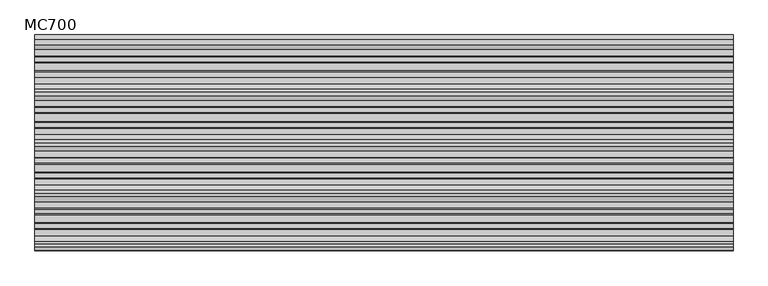
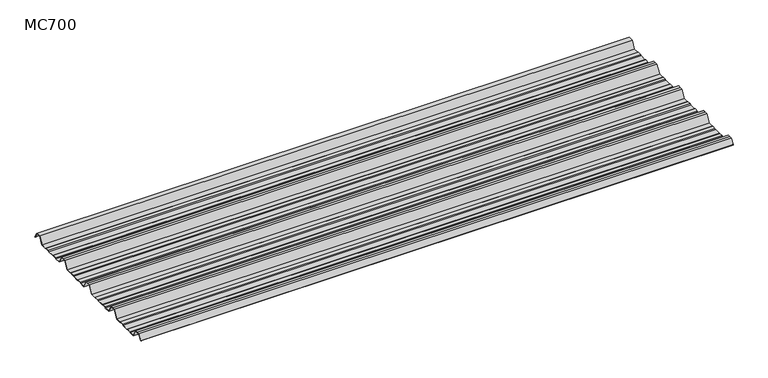
"""IFC4 building model written with IfcOpenShell, lengths in millimetres: beam geometry, MC700."""

from ifc_helpers import new_model, si_unit, point, frame, frame_2d, origin, place, context, project, spatial, polyline, circle_curve, trimmed, segment, composite_curve, outline, extrude, source, transform, mapped, element, save


def mc700_bc172f6d(model_context):
    return source(origin(), model_context, "Body", "SweptSolid", [
        extrude(outline(composite_curve([segment(polyline([(-279.7790109, -25.7896475), (-284.1593286, -23.7494212), (-300.5873198, -23.7494212), (-303.802364, -25.7896475), (-326.5000016, -25.7896475), (-344.5745116, 5.2103525), (-355.0, 5.2103525), (-365.4254884, 5.2103525), (-383.4999984, -25.7896475), (-406.197636, -25.7896475), (-409.4126802, -23.7494212), (-425.8406714, -23.7494212), (-430.2209891, -25.7896475), (-457.2790109, -25.7896475), (-461.6593286, -23.7494212), (-478.0873198, -23.7494212), (-481.302364, -25.7896475), (-504.0000016, -25.7896475), (-522.0745116, 5.2103525), (-532.5, 5.2103525), (-542.9254884, 5.2103525), (-560.9999984, -25.7896475), (-583.697636, -25.7896475), (-586.9126802, -23.7494212), (-603.3406714, -23.7494212), (-607.7209891, -25.7896475), (-634.7790109, -25.7896475), (-639.1593286, -23.7494212), (-655.5873198, -23.7494212), (-658.802364, -25.7896475), (-681.5000016, -25.7896475), (-699.5745116, 5.2103525), (-710.0, 5.2103525), (-720.4254884, 5.2103525), (-732.728303, -15.8904825)]), True, "CONTINUOUS"), segment(trimmed(circle_curve(frame_2d((-733.160246, -15.6386387)), 0.5), [point((-732.728303, -15.8904825))], [point((-733.5921889, -15.3867949))], False, "CARTESIAN"), True, "CONTINUOUS"), segment(polyline([(-733.5921889, -15.3867949), (-721.0, 6.2103525), (-710.0, 6.2103525), (-699.0, 6.2103525), (-680.92549, -24.7896475), (-659.0928785, -24.7896475), (-655.8778343, -22.7494212), (-638.9378651, -22.7494212), (-634.5575473, -24.7896475), (-607.9424527, -24.7896475), (-603.5621349, -22.7494212), (-586.6221657, -22.7494212), (-583.4071215, -24.7896475), (-561.57451, -24.7896475), (-543.5, 6.2103525), (-532.5, 6.2103525), (-521.5, 6.2103525), (-503.42549, -24.7896475), (-481.5928785, -24.7896475), (-478.3778343, -22.7494212), (-461.4378651, -22.7494212), (-457.0575473, -24.7896475), (-430.4424527, -24.7896475), (-426.0621349, -22.7494212), (-409.1221657, -22.7494212), (-405.9071215, -24.7896475), (-384.07451, -24.7896475), (-366.0, 6.2103525), (-355.0, 6.2103525), (-344.0, 6.2103525), (-325.92549, -24.7896475), (-304.0928785, -24.7896475), (-300.8778343, -22.7494212), (-283.9378651, -22.7494212), (-279.5575473, -24.7896475), (-252.9424527, -24.7896475), (-248.5621349, -22.7494212), (-231.6221657, -22.7494212), (-228.4071215, -24.7896475), (-206.57451, -24.7896475), (-188.5, 6.2103525), (-177.5, 6.2103525), (-166.5, 6.2103525), (-148.42549, -24.7896475), (-126.5928785, -24.7896475), (-123.3778343, -22.7494212), (-106.4378651, -22.7494212), (-102.0575473, -24.7896475), (-75.4424527, -24.7896475), (-71.0621349, -22.7494212), (-54.1221657, -22.7494212), (-50.9071215, -24.7896475), (-26.7593894, -24.7896475), (-9.8509769, 4.2103525), (9.8509769, 4.2103525), (24.2964926, -20.5654776)]), True, "CONTINUOUS"), segment(trimmed(circle_curve(frame_2d((23.8645497, -20.8173214)), 0.5), [point((24.2964926, -20.5654776))], [point((23.4326067, -21.0691651))], False, "CARTESIAN"), True, "CONTINUOUS"), segment(polyline([(23.4326067, -21.0691651), (9.2764653, 3.2103525), (-9.2764653, 3.2103525), (-26.1848779, -25.7896475), (-51.197636, -25.7896475), (-54.4126802, -23.7494212), (-70.8406714, -23.7494212), (-75.2209891, -25.7896475), (-102.2790109, -25.7896475), (-106.6593286, -23.7494212), (-123.0873198, -23.7494212), (-126.302364, -25.7896475), (-149.0000016, -25.7896475), (-167.0745116, 5.2103525), (-177.5, 5.2103525), (-187.9254884, 5.2103525), (-205.9999984, -25.7896475), (-228.697636, -25.7896475), (-231.9126802, -23.7494212), (-248.3406714, -23.7494212), (-252.7209891, -25.7896475), (-279.7790109, -25.7896475)]), True, "CONTINUOUS")], self_intersect=False)), frame((-1225.1114161, 0.0, 0.0), z_axis=(1.0, 0.0, 0.0), x_axis=(0.0, 1.0, 0.0)), (0.0, 0.0, 1.0), 2450.2228322),
    ])


if __name__ == "__main__":
    model = new_model("IFC4")
    model_context = context("Model", 3, world=origin())
    ifc_project = project(units=[si_unit("LENGTHUNIT", "METRE", prefix="MILLI")], contexts=[model_context])
    site = spatial("IfcSite", under=ifc_project)
    building = spatial("IfcBuilding", under=site)
    placement = place(None, origin())
    mc700_shape = mc700_bc172f6d(model_context)
    element("IfcBeam", 1, ObjectType="MC700", at=placement, inside=building, context=model_context, shape_type="MappedRepresentation", body=[
        mapped(mc700_shape, transform((0.0, 0.0, 0.0), x_axis=(1.0, 0.0, 0.0), y_axis=(0.0, 1.0, 0.0), z_axis=(0.0, 0.0, 1.0))),
    ])
    save(model, "model.ifc")
